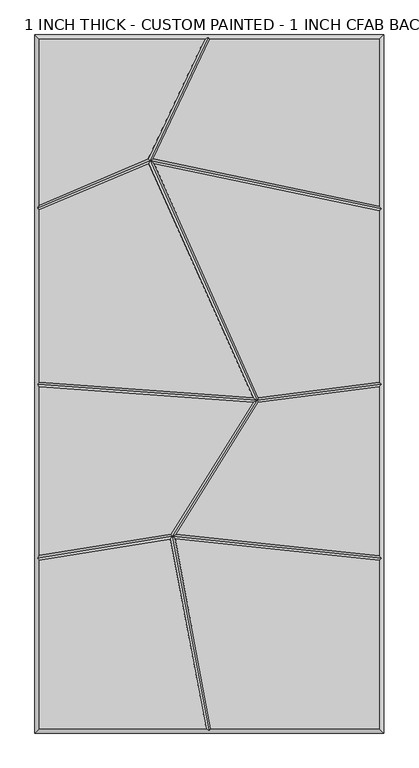
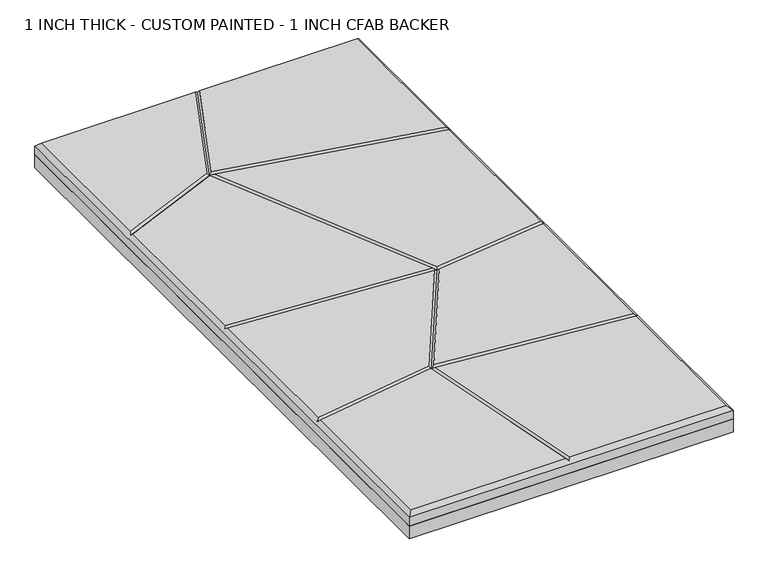
"""IFC4 building model written with IfcOpenShell, lengths in millimetres: proxy geometry, 1 INCH THICK - CUSTOM PAINTED - 1 INCH CFAB BACKER."""

import ifcopenshell
import ifcopenshell.guid

model = None  # the IFC model being written
_history = None  # IfcOwnerHistory: only IFC2X3 demands one
_inside = {}  # id of a spatial element -> (the spatial element, [elements in it])
_under = {}  # id of a project, library or spatial element -> (it, [spatial elements below it])
_declared = {}  # id of a project -> (the project, [libraries it declares])
_typed = {}  # id of a type object -> (the type object, [elements of that type])
_made_of = {}  # id of a material, layer set ... -> (it, [elements and type objects made of it])


def new_model(schema):
    """Start an empty IFC model of exactly this schema.

    Asked for "IFC4X3", IfcOpenShell would pick the latest addendum, in which some entities
    have other attributes; the version numbers below select the first issue.
    IFC2X3 requires an IfcOwnerHistory on every rooted entity: one is made here for all.
    """
    global model, _history
    if schema == "IFC4X3":
        model = ifcopenshell.file(schema_version=(4, 3, 0, 0))
    else:
        model = ifcopenshell.file(schema=schema)
    _inside.clear()
    _under.clear()
    _declared.clear()
    _typed.clear()
    _made_of.clear()
    _history = None
    if model.schema == "IFC2X3":
        org = make("IfcOrganization", Name="unknown")
        user = make(
            "IfcPersonAndOrganization",
            ThePerson=make("IfcPerson", FamilyName="unknown"),
            TheOrganization=org,
        )
        app = make(
            "IfcApplication",
            ApplicationDeveloper=org,
            Version="unknown",
            ApplicationFullName="unknown",
            ApplicationIdentifier="unknown",
        )
        _history = make(
            "IfcOwnerHistory",
            OwningUser=user,
            OwningApplication=app,
            ChangeAction="ADDED",
            CreationDate=0,
        )
    return model


def make(cls, **values):
    """One entity of the class cls with the attributes given. An attribute that is None is left unset."""
    return model.create_entity(
        cls, **{name: value for name, value in values.items() if value is not None}
    )


def rooted(cls, **values):
    """An entity with a GlobalId (a new one), such as an element, a storey or a relation."""
    return make(cls, GlobalId=ifcopenshell.guid.new(), OwnerHistory=_history, **values)


def si_unit(unit_type, name, prefix=None):
    """IfcSIUnit, for example si_unit("LENGTHUNIT", "METRE", prefix="MILLI")."""
    return make("IfcSIUnit", UnitType=unit_type, Prefix=prefix, Name=name)


def assignment(units):
    """IfcUnitAssignment: the units of a project."""
    return None if units is None else make("IfcUnitAssignment", Units=units)


def point(xyz):
    """IfcCartesianPoint."""
    return None if xyz is None else make("IfcCartesianPoint", Coordinates=xyz)


def direction(xyz):
    """IfcDirection."""
    return None if xyz is None else make("IfcDirection", DirectionRatios=xyz)


def frame(location, z_axis=None, x_axis=None):
    """IfcAxis2Placement3D, a coordinate frame: its origin and axes. An axis left out is left unset."""
    return make(
        "IfcAxis2Placement3D",
        Location=point(location),
        Axis=direction(z_axis),
        RefDirection=direction(x_axis),
    )


def origin():
    """The frame at (0, 0, 0) with its axes left unset."""
    return frame((0.0, 0.0, 0.0))


def place(relative_to, where):
    """IfcLocalPlacement: puts the frame where relative to a parent placement (None: the world)."""
    return make(
        "IfcLocalPlacement", PlacementRelTo=relative_to, RelativePlacement=where
    )


def context(
    kind, dimensions, precision=None, world=None, true_north=None, identifier=None
):
    """IfcGeometricRepresentationContext, for example the 3D "Model" context."""
    return make(
        "IfcGeometricRepresentationContext",
        ContextIdentifier=identifier,
        ContextType=kind,
        CoordinateSpaceDimension=dimensions,
        Precision=precision,
        WorldCoordinateSystem=world,
        TrueNorth=true_north,
    )


def project(units=None, contexts=None):
    """IfcProject with its units and contexts."""
    return rooted(
        "IfcProject",
        Name="project",
        RepresentationContexts=contexts,
        UnitsInContext=assignment(units),
    )


def spatial(cls, under=None, at=None, **own):
    """A site, building, storey or space (cls), placed at a placement, below another one or the project."""
    s = rooted(cls, ObjectPlacement=at, **own)
    if under is not None:
        _under.setdefault(under.id(), (under, []))[1].append(s)
    return s


def polyline(points):
    """IfcPolyline through the points."""
    return make("IfcPolyline", Points=[point(p) for p in points])


def outline(outer, holes=None, kind="AREA"):
    """IfcArbitraryClosedProfileDef: a profile drawn as a closed curve; with holes, ...WithVoids."""
    if holes is None:
        return make("IfcArbitraryClosedProfileDef", ProfileType=kind, OuterCurve=outer)
    return make(
        "IfcArbitraryProfileDefWithVoids",
        ProfileType=kind,
        OuterCurve=outer,
        InnerCurves=holes,
    )


def extrude(swept, where, along, depth):
    """IfcExtrudedAreaSolid: the profile swept, set in the frame where, extruded along a direction by depth."""
    return make(
        "IfcExtrudedAreaSolid",
        SweptArea=swept,
        Position=where,
        ExtrudedDirection=direction(along),
        Depth=depth,
    )


def faces_of(points, faces, orient=None, outer=None):
    """IfcFace entities. A face is a list of loops; a loop is a list of indices into points, from 0.

    orient and outer hold one flag for each loop. By default every Orientation is true, the
    first loop of a face is its IfcFaceOuterBound and the others are IfcFaceBound.
    """
    made = []
    for i, loops in enumerate(faces):
        bounds = []
        for j, loop in enumerate(loops):
            is_outer = j == 0 if outer is None else outer[i][j]
            bounds.append(
                make(
                    "IfcFaceOuterBound" if is_outer else "IfcFaceBound",
                    Bound=make("IfcPolyLoop", Polygon=[points[k] for k in loop]),
                    Orientation=True if orient is None else orient[i][j],
                )
            )
        made.append(make("IfcFace", Bounds=bounds))
    return made


def faceted_brep(points, faces, orient=None, outer=None, voids=None):
    """IfcFacetedBrep: a solid bounded by flat faces; with voids (closed shells), ...WithVoids."""
    shared = [point(p) for p in points]
    hull = make("IfcClosedShell", CfsFaces=faces_of(shared, faces, orient, outer))
    if voids is None:
        return make("IfcFacetedBrep", Outer=hull)
    return make(
        "IfcFacetedBrepWithVoids",
        Outer=hull,
        Voids=[
            make(cls, CfsFaces=faces_of(shared, fs, o, b)) for cls, fs, o, b in voids
        ],
    )


def shape(context_of_items, identifier, shape_type, items):
    """IfcShapeRepresentation: the items that make up one representation, for example the "Body"."""
    return make(
        "IfcShapeRepresentation",
        ContextOfItems=context_of_items,
        RepresentationIdentifier=identifier,
        RepresentationType=shape_type,
        Items=items,
    )


def source(mapping_origin, context_of_items, identifier, shape_type, items):
    """IfcRepresentationMap: a shape defined once, which mapped items show again and again."""
    return make(
        "IfcRepresentationMap",
        MappingOrigin=mapping_origin,
        MappedRepresentation=shape(context_of_items, identifier, shape_type, items),
    )


def transform(
    local_origin,
    x_axis=None,
    y_axis=None,
    z_axis=None,
    scale=None,
    scale2=None,
    scale3=None,
    uniform=True,
):
    """IfcCartesianTransformationOperator3D, or its non-uniform kind. x_axis, y_axis, z_axis: its Axis1, 2, 3."""
    if uniform:
        return make(
            "IfcCartesianTransformationOperator3D",
            Axis1=direction(x_axis),
            Axis2=direction(y_axis),
            LocalOrigin=point(local_origin),
            Scale=scale,
            Axis3=direction(z_axis),
        )
    return make(
        "IfcCartesianTransformationOperator3DnonUniform",
        Axis1=direction(x_axis),
        Axis2=direction(y_axis),
        LocalOrigin=point(local_origin),
        Scale=scale,
        Axis3=direction(z_axis),
        Scale2=scale2,
        Scale3=scale3,
    )


def mapped(mapping_source, mapping_target):
    """IfcMappedItem: shows the shape of a source again, moved by a transform."""
    return make(
        "IfcMappedItem", MappingSource=mapping_source, MappingTarget=mapping_target
    )


def made_of(thing, what):
    """Note that an element or type object is made of a material, layer set ...; save() writes the relation."""
    if what is not None:
        _made_of.setdefault(what.id(), (what, []))[1].append(thing)
    return thing


def element(
    cls,
    number,
    at=None,
    inside=None,
    cuts=None,
    type_object=None,
    material=None,
    context=None,
    identifier="Body",
    shape_type=None,
    held_by="IfcProductDefinitionShape",
    body=None,
    shapes=None,
    **own,
):
    """One element of the class cls, such as IfcWall. Its Tag is "e" and its number.

    at: its placement. inside: the storey or other place that contains it. cuts: it is an
    opening in that element (IfcRelVoidsElement). A single representation is given by context,
    identifier, shape_type and body (its items); several are given by shapes. held_by: the class
    of the entity that holds the representations. save() writes the other relations.
    """
    e = rooted(cls, Tag="e%d" % number, ObjectPlacement=at, **own)
    if body is not None:
        shapes = [shape(context, identifier, shape_type, body)]
    if shapes is not None:
        e.Representation = make(held_by, Representations=shapes)
    if inside is not None:
        _inside.setdefault(inside.id(), (inside, []))[1].append(e)
    if cuts is not None:
        rooted(
            "IfcRelVoidsElement", RelatingBuildingElement=cuts, RelatedOpeningElement=e
        )
    if type_object is not None:
        _typed.setdefault(type_object.id(), (type_object, []))[1].append(e)
    return made_of(e, material)


def aggregate(whole, parts):
    """IfcRelAggregates: a whole, such as a stair, and the parts it consists of."""
    return rooted("IfcRelAggregates", RelatingObject=whole, RelatedObjects=parts)


def save(model, path):
    """Write the relations noted so far, then the file.

    IfcRelAggregates (storeys below a building ...), IfcRelContainedInSpatialStructure (elements
    in a storey), IfcRelDefinesByType, IfcRelAssociatesMaterial and IfcRelDeclares: one each for
    every whole, place, type object, material and project.
    """
    for whole, parts in _under.values():
        aggregate(whole, parts)
    for where, things in _inside.values():
        rooted(
            "IfcRelContainedInSpatialStructure",
            RelatedElements=things,
            RelatingStructure=where,
        )
    for kind, things in _typed.values():
        rooted("IfcRelDefinesByType", RelatedObjects=things, RelatingType=kind)
    for what, things in _made_of.values():
        rooted("IfcRelAssociatesMaterial", RelatedObjects=things, RelatingMaterial=what)
    for by, libraries in _declared.values():
        rooted("IfcRelDeclares", RelatingContext=by, RelatedDefinitions=libraries)
    model.write(path)


def proxy_1_inch_thick_custom_painted_1_inch_cfab_backer_d91cdbd0(model_context):
    return source(origin(), model_context, "Body", "SolidModel", [
        extrude(outline(polyline([(-304.8, 609.6), (304.8, 609.6), (304.8, -609.6), (-304.8, -609.6), (-304.8, 609.6)])), frame((0.0, 0.0, -25.4), z_axis=(0.0, 0.0, 1.0), x_axis=(1.0, 0.0, 0.0)), (0.0, 0.0, 1.0), 25.4),
        faceted_brep([(-8.2028961, 601.599, 25.4), (-296.799, 601.599, 25.4), (-296.799, 312.5432369, 25.4), (-106.5730663, 393.3098245, 25.4), (-296.799, -601.599, 25.4), (-5.5875044, -601.599, 25.4), (-68.2811687, -270.685629, 25.4), (-296.799, -307.5611441, 25.4), (296.799, 601.599, 25.4), (0.6455208, 601.599, 25.4), (-97.8234472, 393.1006299, 25.4), (296.799, 310.5605776, 25.4), (2.5558226, -601.599, 25.4), (296.799, -601.599, 25.4), (296.799, -307.9855233, 25.4), (-60.1438104, -270.6541244, 25.4), (296.799, 302.386434, 25.4), (-96.7636582, 384.7048187, 25.4), (85.535097, -23.8552953, 25.4), (296.799, 3.0150912, 25.4), (-105.6591812, 385.0055382, 25.4), (-296.799, 303.850931, 25.4), (-296.799, 3.4294067, 25.4), (76.7151864, -23.7240351, 25.4), (296.799, -5.0503652, 25.4), (85.483213, -31.9273507, 25.4), (-58.2987801, -262.8024498, 25.4), (296.799, -299.9408835, 25.4), (76.1939437, -31.7082565, 25.4), (-296.799, -4.5927076, 25.4), (-296.799, -299.4566417, 25.4), (-67.5090689, -262.4565343, 25.4), (-304.8, 609.6, 0.0), (304.8, 609.6, 0.0), (304.8, -609.6, 0.0), (-304.8, -609.6, 0.0), (-304.8, -609.6, 17.399), (-304.8, 609.6, 17.399), (304.8, -609.6, 17.399), (304.8, 609.6, 17.399), (-1.8893438, 605.5995, 21.3995), (-300.7995, -304.1544464, 21.3995), (-300.7995, -0.2908252, 21.3995), (-300.7995, 306.498542, 21.3995), (-0.7579204, -605.5995, 21.3995), (300.7995, 305.6367529, 21.3995), (300.7995, -0.5088185, 21.3995), (300.7995, -304.3816017, 21.3995), (-65.0752426, -266.1160433, 21.3995), (83.0924453, -28.1987012, 21.3995), (-103.6066104, 390.2231766, 21.3995)], [[[0, 1, 2, 3]], [[4, 5, 6, 7]], [[8, 9, 10, 11]], [[12, 13, 14, 15]], [[16, 17, 18, 19]], [[20, 21, 22, 23]], [[24, 25, 26, 27]], [[28, 29, 30, 31]], [[32, 33, 34, 35]], [[32, 35, 36, 37]], [[35, 34, 38, 36]], [[34, 33, 39, 38]], [[33, 32, 37, 39]], [[37, 1, 0, 40, 9, 8, 39]], [[1, 37, 36, 4, 7, 41, 30, 29, 42, 22, 21, 43, 2]], [[4, 36, 38, 13, 12, 44, 5]], [[39, 8, 11, 45, 16, 19, 46, 24, 27, 47, 14, 13, 38]], [[44, 48, 6, 5]], [[48, 44, 12, 15]], [[48, 49, 28, 31]], [[49, 48, 26, 25]], [[49, 50, 20, 23]], [[50, 49, 18, 17]], [[50, 40, 0, 3]], [[40, 50, 10, 9]], [[45, 50, 17, 16]], [[50, 45, 11, 10]], [[50, 43, 21, 20]], [[43, 50, 3, 2]], [[46, 49, 25, 24]], [[49, 46, 19, 18]], [[49, 42, 29, 28]], [[42, 49, 23, 22]], [[47, 48, 15, 14]], [[48, 47, 27, 26]], [[48, 41, 7, 6]], [[41, 48, 31, 30]]]),
    ])


if __name__ == "__main__":
    model = new_model("IFC4")
    model_context = context("Model", 3, world=origin())
    ifc_project = project(units=[si_unit("LENGTHUNIT", "METRE", prefix="MILLI")], contexts=[model_context])
    site = spatial("IfcSite", under=ifc_project)
    building = spatial("IfcBuilding", under=site)
    placement = place(None, origin())
    proxy_1_inch_thick_custom_painted_1_inch_cfab_backer_shape = proxy_1_inch_thick_custom_painted_1_inch_cfab_backer_d91cdbd0(model_context)
    element("IfcBuildingElementProxy", 1, Name="1 INCH THICK - CUSTOM PAINTED - 1 INCH CFAB BACKER", ObjectType="1 INCH THICK - CUSTOM PAINTED - 1 INCH CFAB BACKER", at=placement, inside=building, context=model_context, shape_type="MappedRepresentation", body=[
        mapped(proxy_1_inch_thick_custom_painted_1_inch_cfab_backer_shape, transform((0.0, 0.0, 0.0), x_axis=(1.0, 0.0, 0.0), y_axis=(0.0, 1.0, 0.0), z_axis=(0.0, 0.0, 1.0))),
    ])
    save(model, "model.ifc")
